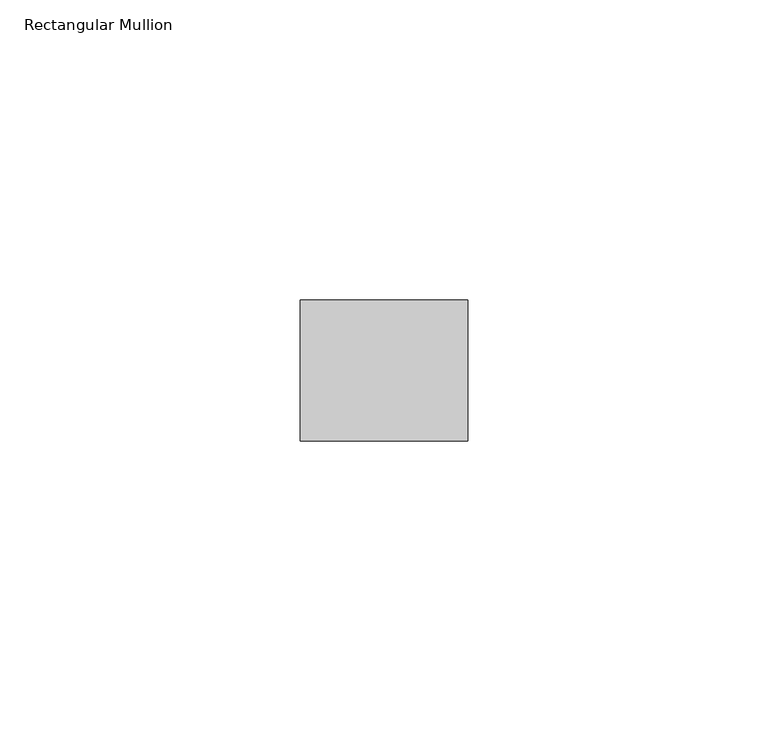
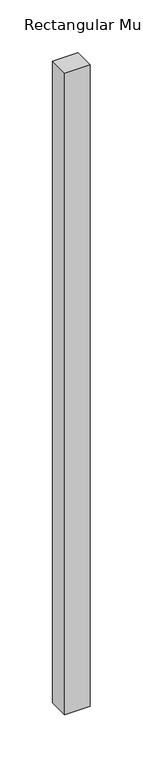
"""IFC4 building model written with IfcOpenShell, lengths in millimetres: member geometry, Rectangular Mullion."""

from ifc_helpers import new_model, si_unit, frame, origin, place, context, project, spatial, polyline, outline, extrude, source, transform, mapped, element, save


def rectangular_mullion_ba97bbd0(model_context):
    return source(origin(), model_context, "Body", "SweptSolid", [
        extrude(outline(polyline([(0.0, -11.7474999), (-27.94, -11.7474999), (-27.94, 11.7474999), (0.0, 11.7474999), (0.0, -11.7474999)])), frame((0.0, 0.0, -744.980947), z_axis=(0.0, 0.0, 1.0), x_axis=(1.0, 0.0, 0.0)), (0.0, 0.0, 1.0), 744.980947),
    ])


if __name__ == "__main__":
    model = new_model("IFC4")
    model_context = context("Model", 3, world=origin())
    ifc_project = project(units=[si_unit("LENGTHUNIT", "METRE", prefix="MILLI")], contexts=[model_context])
    site = spatial("IfcSite", under=ifc_project)
    building = spatial("IfcBuilding", under=site)
    placement = place(None, origin())
    rectangular_mullion_shape = rectangular_mullion_ba97bbd0(model_context)
    element("IfcMember", 1, ObjectType="Rectangular Mullion", at=placement, inside=building, context=model_context, shape_type="MappedRepresentation", body=[
        mapped(rectangular_mullion_shape, transform((0.0, 0.0, 0.0), x_axis=(1.0, 0.0, 0.0), y_axis=(0.0, 1.0, 0.0), z_axis=(0.0, 0.0, 1.0))),
    ])
    save(model, "model.ifc")
